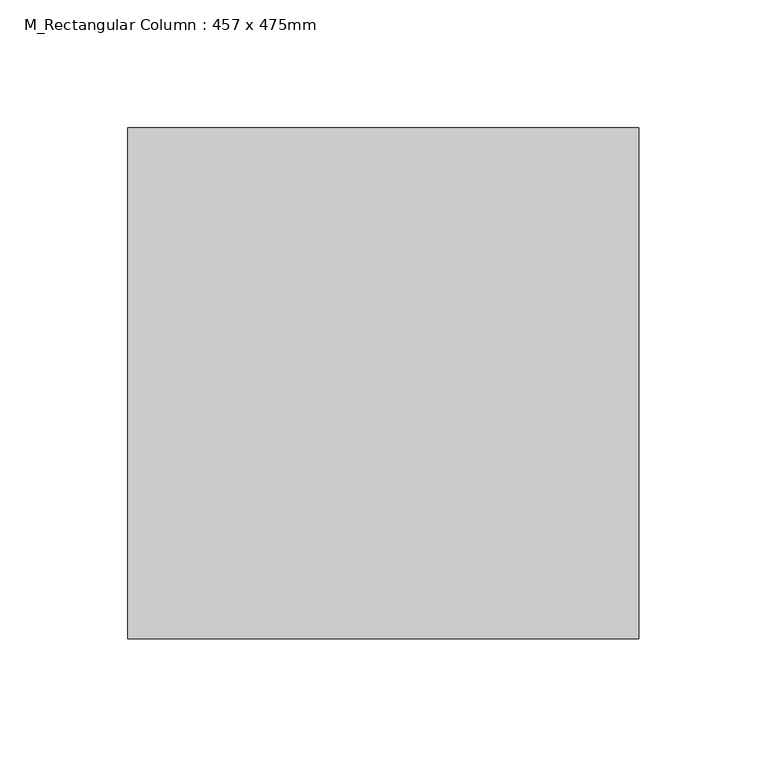
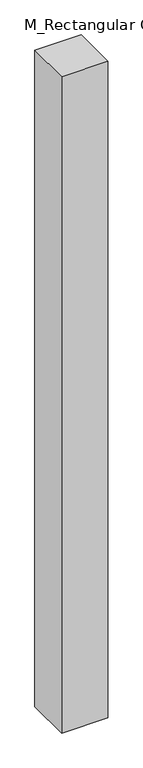
"""IFC4 building model written with IfcOpenShell, lengths in millimetres: column geometry, M_Rectangular Column : 457 x 475mm."""

from ifc_helpers import new_model, si_unit, origin, origin_with_axes, place, context, project, spatial, polyline, outline, extrude, source, transform, mapped, element, save


def m_rectangular_column_457_x_475mm_233c036c(model_context):
    return source(origin(), model_context, "Body", "SweptSolid", [
        extrude(outline(polyline([(100.0, 100.0), (100.0, -100.0), (-100.0, -100.0), (-100.0, 100.0), (100.0, 100.0)])), origin_with_axes(), (0.0, 0.0, 1.0), 3000.0),
    ])


if __name__ == "__main__":
    model = new_model("IFC4")
    model_context = context("Model", 3, world=origin())
    ifc_project = project(units=[si_unit("LENGTHUNIT", "METRE", prefix="MILLI")], contexts=[model_context])
    site = spatial("IfcSite", under=ifc_project)
    building = spatial("IfcBuilding", under=site)
    placement = place(None, origin())
    m_rectangular_column_457_x_475mm_shape = m_rectangular_column_457_x_475mm_233c036c(model_context)
    element("IfcColumn", 1, ObjectType="M_Rectangular Column : 457 x 475mm", at=placement, inside=building, context=model_context, shape_type="MappedRepresentation", body=[
        mapped(m_rectangular_column_457_x_475mm_shape, transform((0.0, 0.0, 0.0), x_axis=(1.0, 0.0, 0.0), y_axis=(0.0, 1.0, 0.0), z_axis=(0.0, 0.0, 1.0))),
    ])
    save(model, "model.ifc")
